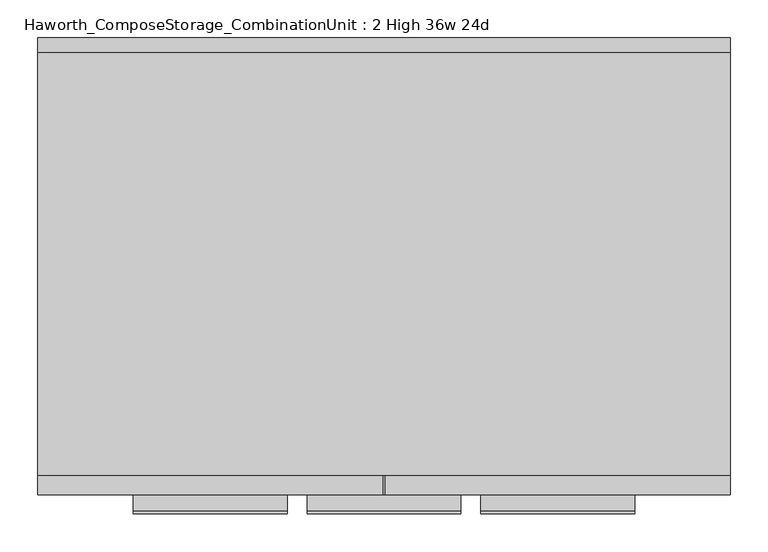
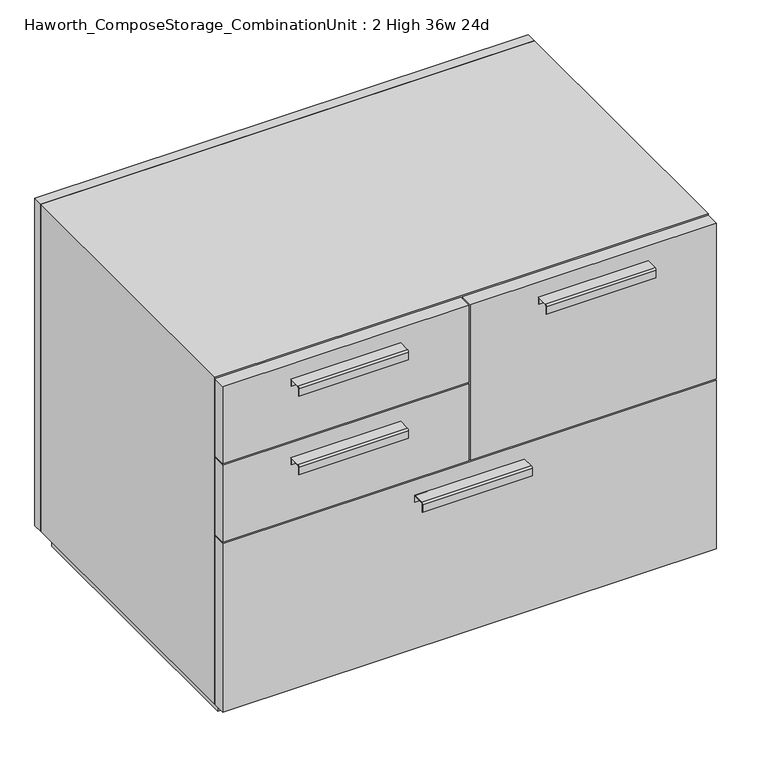
"""IFC4 building model written with IfcOpenShell, lengths in millimetres: furniture geometry, Haworth_ComposeStorage_CombinationUnit : 2 High 36w 24d."""

from ifc_helpers import new_model, si_unit, point, frame, frame_2d, origin, origin_with_axes, place, context, project, spatial, polyline, circle_curve, trimmed, segment, composite_curve, outline, extrude, source, transform, mapped, element, save


def haworth_composestorage_combinationunit_2_high_36w_24d_711e981a(model_context):
    return source(origin(), model_context, "Body", "SweptSolid", [
        extrude(outline(composite_curve([segment(polyline([(-276.2250242, 633.9919215), (-254.0, 633.9919215), (-254.0, 620.5299525), (-254.7937742, 620.5299525), (-254.7937742, 633.1982199), (-276.2250242, 633.1982199)]), True, "CONTINUOUS"), segment(trimmed(circle_curve(frame_2d((-276.2250242, 630.8142808)), 2.3839392), [point((-276.2250242, 633.1982199))], [point((-278.6089634, 630.8142808))], True, "CARTESIAN"), True, "CONTINUOUS"), segment(polyline([(-278.6089634, 630.8142808), (-278.6089634, 616.2119021), (-279.3999758, 616.2119021), (-279.3999758, 630.8169699)]), True, "CONTINUOUS"), segment(trimmed(circle_curve(frame_2d((-276.2250242, 630.8169699)), 3.1749516), [point((-279.3999758, 630.8169699))], [point((-276.2250242, 633.9919215))], False, "CARTESIAN"), True, "CONTINUOUS")], self_intersect=False)), frame((-330.9798594, 0.0, 0.0), z_axis=(1.0, 0.0, 0.0), x_axis=(0.0, 1.0, 0.0)), (0.0, 0.0, 1.0), 203.2),
        extrude(outline(polyline([(-1.5736094, -228.6), (-1.5736094, -254.0), (-457.1861094, -254.0), (-457.1861094, -228.6), (-1.5736094, -228.6)])), frame((0.0, 0.0, 512.7625), z_axis=(0.0, 0.0, 1.0), x_axis=(1.0, 0.0, 0.0)), (0.0, 0.0, 1.0), 150.8125),
        extrude(outline(composite_curve([segment(polyline([(-276.2250242, 480.0044215), (-254.0, 480.0044215), (-254.0, 466.5424525), (-254.7937742, 466.5424525), (-254.7937742, 479.2107199), (-276.2250242, 479.2107199)]), True, "CONTINUOUS"), segment(trimmed(circle_curve(frame_2d((-276.2250242, 476.8267808)), 2.3839392), [point((-276.2250242, 479.2107199))], [point((-278.6089634, 476.8267808))], True, "CARTESIAN"), True, "CONTINUOUS"), segment(polyline([(-278.6089634, 476.8267808), (-278.6089634, 462.2244021), (-279.3999758, 462.2244021), (-279.3999758, 476.8294699)]), True, "CONTINUOUS"), segment(trimmed(circle_curve(frame_2d((-276.2250242, 476.8294699)), 3.1749516), [point((-279.3999758, 476.8294699))], [point((-276.2250242, 480.0044215))], False, "CARTESIAN"), True, "CONTINUOUS")], self_intersect=False)), frame((-330.9798594, 0.0, 0.0), z_axis=(1.0, 0.0, 0.0), x_axis=(0.0, 1.0, 0.0)), (0.0, 0.0, 1.0), 203.2),
        extrude(outline(polyline([(-1.5736094, -228.6), (-1.5736094, -254.0), (-457.1861094, -254.0), (-457.1861094, -228.6), (-1.5736094, -228.6)])), frame((0.0, 0.0, 358.775), z_axis=(0.0, 0.0, 1.0), x_axis=(1.0, 0.0, 0.0)), (0.0, 0.0, 1.0), 150.8125),
        extrude(outline(composite_curve([segment(polyline([(-276.2250242, 633.9919215), (-254.0, 633.9919215), (-254.0, 620.5299525), (-254.7937742, 620.5299525), (-254.7937742, 633.1982199), (-276.2250242, 633.1982199)]), True, "CONTINUOUS"), segment(trimmed(circle_curve(frame_2d((-276.2250242, 630.8142808)), 2.3839392), [point((-276.2250242, 633.1982199))], [point((-278.6089634, 630.8142808))], True, "CARTESIAN"), True, "CONTINUOUS"), segment(polyline([(-278.6089634, 630.8142808), (-278.6089634, 616.2119021), (-279.3999758, 616.2119021), (-279.3999758, 630.8169699)]), True, "CONTINUOUS"), segment(trimmed(circle_curve(frame_2d((-276.2250242, 630.8169699)), 3.1749516), [point((-279.3999758, 630.8169699))], [point((-276.2250242, 633.9919215))], False, "CARTESIAN"), True, "CONTINUOUS")], self_intersect=False)), frame((127.8076406, 0.0, 0.0), z_axis=(1.0, 0.0, 0.0), x_axis=(0.0, 1.0, 0.0)), (0.0, 0.0, 1.0), 203.2),
        extrude(outline(polyline([(457.2138906, -228.6), (457.2138906, -254.0), (1.6013906, -254.0), (1.6013906, -228.6), (457.2138906, -228.6)])), frame((0.0, 0.0, 358.775), z_axis=(0.0, 0.0, 1.0), x_axis=(1.0, 0.0, 0.0)), (0.0, 0.0, 1.0), 304.8),
        extrude(outline(composite_curve([segment(polyline([(-276.2250242, 326.0169215), (-254.0, 326.0169215), (-254.0, 312.5549525), (-254.7937742, 312.5549525), (-254.7937742, 325.2232199), (-276.2250242, 325.2232199)]), True, "CONTINUOUS"), segment(trimmed(circle_curve(frame_2d((-276.2250242, 322.8392808)), 2.3839392), [point((-276.2250242, 325.2232199))], [point((-278.6089634, 322.8392808))], True, "CARTESIAN"), True, "CONTINUOUS"), segment(polyline([(-278.6089634, 322.8392808), (-278.6089634, 308.2369021), (-279.3999758, 308.2369021), (-279.3999758, 322.8419699)]), True, "CONTINUOUS"), segment(trimmed(circle_curve(frame_2d((-276.2250242, 322.8419699)), 3.1749516), [point((-279.3999758, 322.8419699))], [point((-276.2250242, 326.0169215))], False, "CARTESIAN"), True, "CONTINUOUS")], self_intersect=False)), frame((-101.5861094, 0.0, 0.0), z_axis=(1.0, 0.0, 0.0), x_axis=(0.0, 1.0, 0.0)), (0.0, 0.0, 1.0), 203.2),
        extrude(outline(polyline([(457.2138906, -228.6), (457.2138906, -254.0), (-457.1861094, -254.0), (-457.1861094, -228.6), (457.2138906, -228.6)])), frame((0.0, 0.0, 25.4), z_axis=(0.0, 0.0, 1.0), x_axis=(1.0, 0.0, 0.0)), (0.0, 0.0, 1.0), 330.2),
        extrude(outline(polyline([(457.2138906, 330.2), (-457.1861094, 330.2), (-457.1861094, 349.25), (457.2138906, 349.25), (457.2138906, 330.2)])), frame((0.0, 0.0, 25.4), z_axis=(0.0, 0.0, 1.0), x_axis=(1.0, 0.0, 0.0)), (0.0, 0.0, 1.0), 641.35),
        extrude(outline(polyline([(25.4, -457.1861094), (25.4, 457.2138906), (666.75, 457.2138906), (666.75, -457.1861094), (25.4, -457.1861094)]), holes=[polyline([(44.45, -438.1361094), (647.7, -438.1361094), (647.7, 438.1569453), (44.45, 438.1569453), (44.45, -438.1361094)])]), frame((0.0, -228.6, 0.0), z_axis=(0.0, 1.0, 0.0), x_axis=(0.0, 0.0, 1.0)), (0.0, 0.0, 1.0), 558.8),
        extrude(outline(polyline([(-438.1291641, 295.275), (-438.1291641, 304.8), (438.1569453, 304.8), (438.1569453, 295.275), (-438.1291641, 295.275)])), frame((0.0, 0.0, 44.45), z_axis=(0.0, 0.0, 1.0), x_axis=(1.0, 0.0, 0.0)), (0.0, 0.0, 1.0), 603.25),
        extrude(outline(polyline([(444.5138906, -215.9), (-444.4861094, -215.9), (-444.4861094, 317.5), (444.5138906, 317.5), (444.5138906, -215.9)])), origin_with_axes(), (0.0, 0.0, 1.0), 25.4),
    ])


if __name__ == "__main__":
    model = new_model("IFC4")
    model_context = context("Model", 3, world=origin())
    ifc_project = project(units=[si_unit("LENGTHUNIT", "METRE", prefix="MILLI")], contexts=[model_context])
    site = spatial("IfcSite", under=ifc_project)
    building = spatial("IfcBuilding", under=site)
    placement = place(None, origin())
    haworth_composestorage_combinationunit_2_high_36w_24d_shape = haworth_composestorage_combinationunit_2_high_36w_24d_711e981a(model_context)
    element("IfcFurniture", 1, ObjectType="Haworth_ComposeStorage_CombinationUnit : 2 High 36w 24d", at=placement, inside=building, context=model_context, shape_type="MappedRepresentation", body=[
        mapped(haworth_composestorage_combinationunit_2_high_36w_24d_shape, transform((0.0, 0.0, 0.0), x_axis=(1.0, 0.0, 0.0), y_axis=(0.0, 1.0, 0.0), z_axis=(0.0, 0.0, 1.0))),
    ])
    save(model, "model.ifc")
